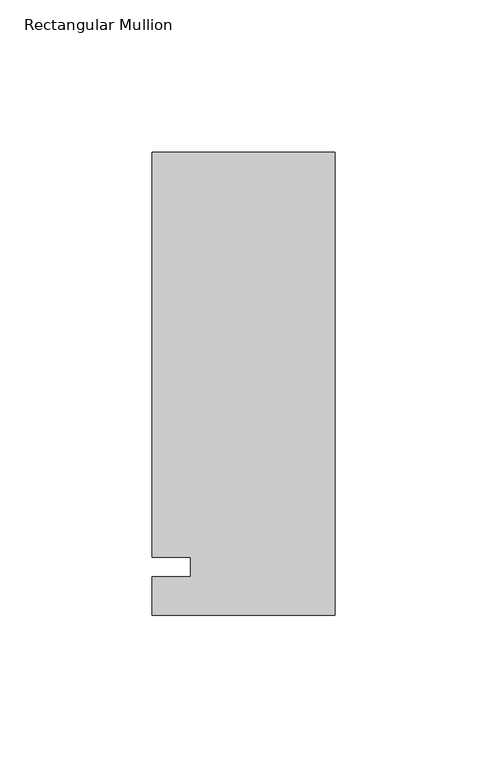
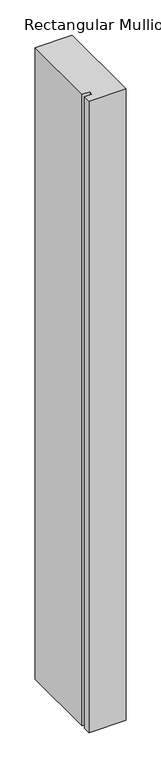
"""IFC4 building model written with IfcOpenShell, lengths in millimetres: member geometry, Rectangular Mullion."""

from ifc_helpers import new_model, si_unit, frame, origin, place, context, project, spatial, polyline, outline, extrude, source, transform, mapped, element, save


def rectangular_mullion_23f07e8e(model_context):
    return source(origin(), model_context, "Body", "SweptSolid", [
        extrude(outline(polyline([(-60.325, 136.525), (0.0, 136.525), (0.0, -15.875), (-60.325, -15.875), (-60.325, -3.175), (-47.6232296, -3.175), (-47.6232296, 3.175), (-60.325, 3.175), (-60.325, 136.525)])), frame((0.0, 0.0, -1091.0405973), z_axis=(0.0, 0.0, 1.0), x_axis=(1.0, 0.0, 0.0)), (0.0, 0.0, 1.0), 1091.0405973),
    ])


if __name__ == "__main__":
    model = new_model("IFC4")
    model_context = context("Model", 3, world=origin())
    ifc_project = project(units=[si_unit("LENGTHUNIT", "METRE", prefix="MILLI")], contexts=[model_context])
    site = spatial("IfcSite", under=ifc_project)
    building = spatial("IfcBuilding", under=site)
    placement = place(None, origin())
    rectangular_mullion_shape = rectangular_mullion_23f07e8e(model_context)
    element("IfcMember", 1, ObjectType="Rectangular Mullion", at=placement, inside=building, context=model_context, shape_type="MappedRepresentation", body=[
        mapped(rectangular_mullion_shape, transform((0.0, 0.0, 0.0), x_axis=(1.0, 0.0, 0.0), y_axis=(0.0, 1.0, 0.0), z_axis=(0.0, 0.0, 1.0))),
    ])
    save(model, "model.ifc")
